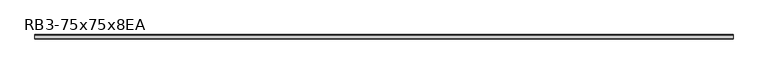
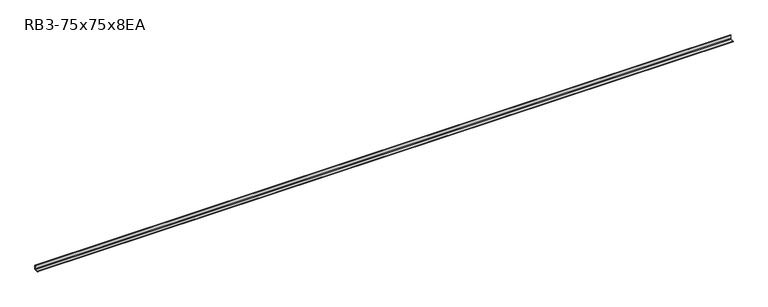
"""IFC4 building model written with IfcOpenShell, lengths in millimetres: member geometry, RB3-75x75x8EA."""

from ifc_helpers import new_model, si_unit, point, frame, frame_2d, origin, place, context, project, spatial, polyline, circle_curve, trimmed, segment, composite_curve, outline, extrude, source, transform, mapped, element, save


def rb3_75x75x8ea_d094156b(model_context):
    return source(origin(), model_context, "Body", "SweptSolid", [
        extrude(outline(composite_curve([segment(polyline([(21.3, -21.3), (-53.7, -21.3), (-53.7, -18.3)]), True, "CONTINUOUS"), segment(trimmed(circle_curve(frame_2d((-48.7, -18.3)), 5.0), [point((-53.7, -18.3))], [point((-48.7, -13.3))], False, "CARTESIAN"), True, "CONTINUOUS"), segment(polyline([(-48.7, -13.3), (5.3, -13.3)]), True, "CONTINUOUS"), segment(trimmed(circle_curve(frame_2d((5.3, -5.3)), 8.0), [point((5.3, -13.3))], [point((13.3, -5.3))], True, "CARTESIAN"), True, "CONTINUOUS"), segment(polyline([(13.3, -5.3), (13.3, 48.7)]), True, "CONTINUOUS"), segment(trimmed(circle_curve(frame_2d((18.3, 48.7)), 5.0), [point((13.3, 48.7))], [point((18.3, 53.7))], False, "CARTESIAN"), True, "CONTINUOUS"), segment(polyline([(18.3, 53.7), (21.3, 53.7), (21.3, -21.3)]), True, "CONTINUOUS")], self_intersect=False)), frame((-5941.0, 0.0, 0.0), z_axis=(1.0, 0.0, 0.0), x_axis=(0.0, 1.0, 0.0)), (0.0, 0.0, 1.0), 11804.0),
    ])


if __name__ == "__main__":
    model = new_model("IFC4")
    model_context = context("Model", 3, world=origin())
    ifc_project = project(units=[si_unit("LENGTHUNIT", "METRE", prefix="MILLI")], contexts=[model_context])
    site = spatial("IfcSite", under=ifc_project)
    building = spatial("IfcBuilding", under=site)
    placement = place(None, origin())
    rb3_75x75x8ea_shape = rb3_75x75x8ea_d094156b(model_context)
    element("IfcMember", 1, ObjectType="RB3-75x75x8EA", at=placement, inside=building, context=model_context, shape_type="MappedRepresentation", body=[
        mapped(rb3_75x75x8ea_shape, transform((0.0, 0.0, 0.0), x_axis=(1.0, 0.0, 0.0), y_axis=(0.0, 1.0, 0.0), z_axis=(0.0, 0.0, 1.0))),
    ])
    save(model, "model.ifc")
